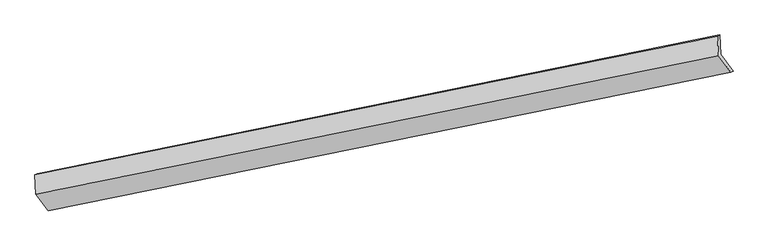
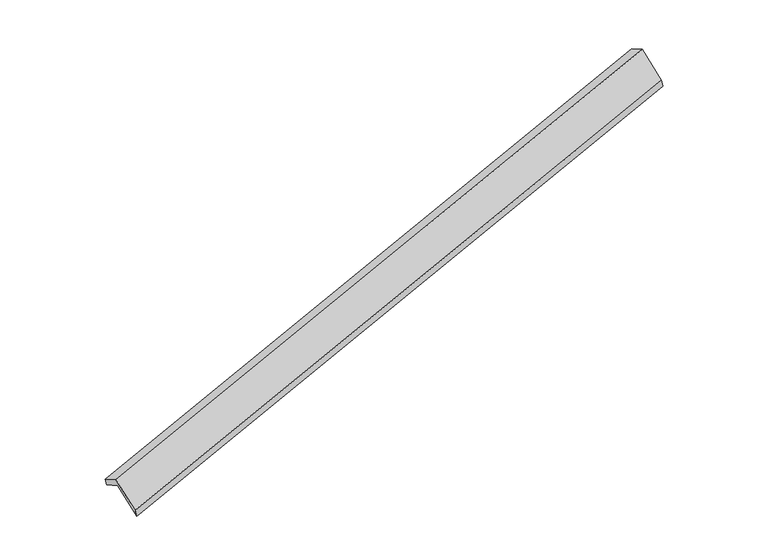
"""IFC4 building model written with IfcOpenShell, lengths in millimetres: proxy geometry."""

from ifc_helpers import new_model, si_unit, frame, origin, place, context, project, spatial, source, transform, mapped, element, save
from ifc_brep_helpers import plane_surface, spline_surface, advanced_brep


def generic_models_010645fe(model_context):
    return source(origin(), model_context, "Body", "AdvancedBrep", [
        advanced_brep(
        [(-9644.2509915, -2889.7446945, 173.5526119), (-9662.5566116, -2491.956276, -44.5828352), (3796.4557567, 241.0034001, 3861.7753076), (3814.1566211, -143.6434341, 4072.7042972), (-9705.1577902, -2519.4785006, 123.3025609), (3753.8545782, 213.4811755, 4029.6607037), (-9687.6696834, -2899.5020275, 331.6962649), (3771.3426849, -166.5423514, 4238.0544078), (-9444.8743887, -3225.4154853, -283.0095023), (4017.4327674, -496.8785293, 3615.0069428), (-9401.3332526, -3215.8225138, -441.4631576), (4060.3691476, -474.1439734, 3449.3468299)],
        [
            (0, 1),
            (1, 2),
            (2, 3),
            (3, 0),
            (1, 4),
            (4, 5),
            (5, 2),
            (4, 6),
            (6, 7),
            (7, 5),
            (6, 8),
            (8, 9),
            (9, 7),
            (8, 10),
            (10, 11),
            (11, 9),
            (10, 0),
            (3, 11),
        ],
        [
            plane_surface(frame((-9653.4038016, -2690.8504853, 64.4848883), z_axis=(0.3316460575873029, -0.44182971063669874, -0.8335450793361394), x_axis=(-0.04031705294711663, 0.876105622987059, -0.48043050757848105))),
            plane_surface(frame((-9683.8572009, -2505.7173883, 39.3598628), z_axis=(-0.2261607343307686, 0.9687947198990738, 0.10143033541619972), x_axis=(-0.24290905298328364, -0.1569298723300106, 0.9572712296675644))),
            plane_surface(frame((-9696.4137368, -2709.490264, 227.4994129), z_axis=(-0.3316460575873027, 0.4418297106367059, 0.8335450793361355), x_axis=(0.040317052947215395, -0.8761056229870345, 0.4804305075785172))),
            plane_surface(frame((-9566.2720361, -3062.4587564, 24.3433813), z_axis=(0.03866536710102432, -0.8764403172846607, 0.479955580887343), x_axis=(0.32947876383750707, -0.44227201065678096, -0.8341697745481531))),
            spline_surface(1, 1, [[(-9444.8743887, -3225.4154853, -283.0095023), (4017.4327674, -496.8785293, 3615.0069428)], [(-9401.3332526, -3215.8225138, -441.4631576), (4060.3691476, -474.1439734, 3449.3468299)]], [2, 2], [2, 2], [0.0, 1.0], [0.0, 1.0]),
            plane_surface(frame((-9522.7921221, -3052.7836042, -133.9552728), z_axis=(-0.03965639258984162, 0.8762398231778552, -0.48024071339693986), x_axis=(-0.32947876383750324, 0.44227201065678295, 0.8341697745481536))),
            plane_surface(frame((3868.9352593, -137.7872854, 3877.7580815), z_axis=(0.943301796575052, 0.19192291671469192, 0.27082709358187335), x_axis=(0.24870847587437098, 0.13168964669710673, -0.9595842490271704))),
            plane_surface(frame((-9590.9737863, -2873.6532496, -23.4173429), z_axis=(-0.9433017965750452, -0.19192291671482037, -0.27082709358180596), x_axis=(0.32947876383750624, -0.44227201065679034, -0.8341697745481484))),
        ],
        [
            (0, [[1, 2, 3, 4]]),
            (1, [[5, 6, 7, -2]]),
            (2, [[8, 9, 10, -6]]),
            (3, [[11, 12, 13, -9]]),
            (4, [[14, 15, 16, -12]]),
            (5, [[17, -4, 18, -15]]),
            (6, [[-16, -18, -3, -7, -10, -13]]),
            (7, [[-17, -14, -11, -8, -5, -1]]),
        ],
    ),
    ])


if __name__ == "__main__":
    model = new_model("IFC4")
    model_context = context("Model", 3, world=origin())
    ifc_project = project(units=[si_unit("LENGTHUNIT", "METRE", prefix="MILLI")], contexts=[model_context])
    site = spatial("IfcSite", under=ifc_project)
    building = spatial("IfcBuilding", under=site)
    placement = place(None, origin())
    generic_models_shape = generic_models_010645fe(model_context)
    element("IfcBuildingElementProxy", 1, Name="Generic Models", at=placement, inside=building, context=model_context, shape_type="MappedRepresentation", body=[
        mapped(generic_models_shape, transform((0.0, 0.0, 0.0), x_axis=(1.0, 0.0, 0.0), y_axis=(0.0, 1.0, 0.0), z_axis=(0.0, 0.0, 1.0))),
    ])
    save(model, "model.ifc")
